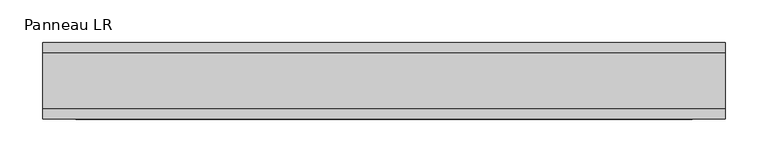
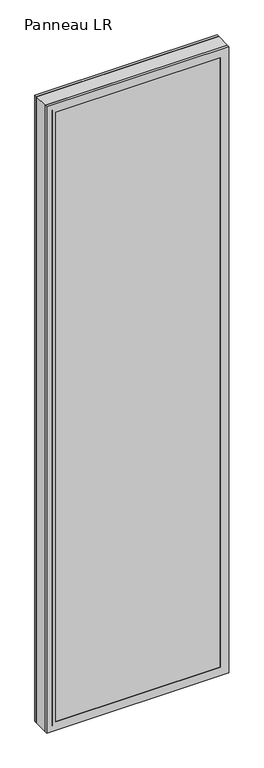
"""IFC4 building model written with IfcOpenShell, lengths in millimetres: plate geometry, Panneau LR."""

from ifc_helpers import new_model, si_unit, frame, origin, place, context, project, spatial, polyline, outline, extrude, faceted_brep, source, transform, mapped, element, save


def panneau_lr_24cbbaed(model_context):
    return source(origin(), model_context, "Body", "SolidModel", [
        faceted_brep([(-400.3847577, 33.0, 2910.0), (-400.3847577, 45.0, 2910.0), (-400.3847577, 45.0, 0.0), (-400.3847577, 33.0, 0.0), (400.3847577, 33.0, 0.0), (400.3847577, 45.0, 0.0), (400.3847577, 45.0, 2910.0), (400.3847577, 33.0, 2910.0), (-361.3847577, 45.0, 2871.0), (-361.3847577, 45.0, 39.0), (361.3847577, 45.0, 39.0), (361.3847577, 45.0, 2871.0), (361.3847577, 43.8, 2871.0), (-361.3847577, 43.8, 2871.0), (-376.3847577, 43.8, 2886.0), (-376.3847577, 43.8, 24.0), (376.3847577, 43.8, 24.0), (376.3847577, 43.8, 2886.0), (361.3847577, 43.8, 39.0), (-361.3847577, 43.8, 39.0), (376.3847577, 33.0, 2886.0), (-376.3847577, 33.0, 2886.0), (376.3847577, 33.0, 24.0), (-376.3847577, 33.0, 24.0)], [[[0, 1, 2, 3]], [[4, 5, 6, 7]], [[6, 1, 0, 7]], [[2, 1, 6, 5], [8, 9, 10, 11]], [[8, 11, 12, 13]], [[14, 15, 16, 17], [13, 12, 18, 19]], [[14, 17, 20, 21]], [[0, 3, 4, 7], [20, 22, 23, 21]], [[23, 22, 16, 15]], [[19, 18, 10, 9]], [[4, 3, 2, 5]], [[21, 23, 15, 14]], [[13, 19, 9, 8]], [[18, 12, 11, 10]], [[22, 20, 17, 16]]]),
        faceted_brep([(-400.3847577, -33.0, 0.0), (-400.3847577, -45.0, 0.0), (-400.3847577, -45.0, 2910.0), (-400.3847577, -33.0, 2910.0), (400.3847577, -45.0, 0.0), (400.3847577, -33.0, 0.0), (400.3847577, -33.0, 2910.0), (400.3847577, -45.0, 2910.0), (361.3847577, -45.0, 2871.0), (361.3847577, -45.0, 39.0), (-361.3847577, -45.0, 39.0), (-361.3847577, -45.0, 2871.0), (-376.3847577, -33.0, 2886.0), (-376.3847577, -33.0, 24.0), (376.3847577, -33.0, 24.0), (376.3847577, -33.0, 2886.0), (376.3847577, -43.8, 2886.0), (-376.3847577, -43.8, 2886.0), (376.3847577, -43.8, 24.0), (-376.3847577, -43.8, 24.0), (-361.3847577, -43.8, 2871.0), (-361.3847577, -43.8, 39.0), (361.3847577, -43.8, 39.0), (361.3847577, -43.8, 2871.0)], [[[0, 1, 2, 3]], [[4, 5, 6, 7]], [[2, 1, 4, 7], [8, 9, 10, 11]], [[6, 3, 2, 7]], [[0, 3, 6, 5], [12, 13, 14, 15]], [[12, 15, 16, 17]], [[17, 16, 18, 19], [20, 21, 22, 23]], [[8, 11, 20, 23]], [[10, 9, 22, 21]], [[19, 18, 14, 13]], [[4, 1, 0, 5]], [[11, 10, 21, 20]], [[17, 19, 13, 12]], [[18, 16, 15, 14]], [[9, 8, 23, 22]]]),
        extrude(outline(polyline([(2910.0, 400.3847577), (2910.0, -400.3847577), (0.0, -400.3847577), (0.0, 400.3847577), (2910.0, 400.3847577)]), holes=[polyline([(46.0, -360.3847577), (2864.0, -360.3847577), (2864.0, 360.3847577), (46.0, 360.3847577), (46.0, -360.3847577)])]), frame((0.0, -33.0, 0.0), z_axis=(0.0, 1.0, 0.0), x_axis=(0.0, 0.0, 1.0)), (0.0, 0.0, 1.0), 66.0),
        extrude(outline(polyline([(376.3847577, 37.8), (-376.3847577, 37.8), (-376.3847577, 43.8), (376.3847577, 43.8), (376.3847577, 37.8)])), frame((0.0, 0.0, 24.0), z_axis=(0.0, 0.0, 1.0), x_axis=(1.0, 0.0, 0.0)), (0.0, 0.0, 1.0), 2862.0),
        extrude(outline(polyline([(-376.3847577, -43.8), (-376.3847577, -37.8), (376.3847577, -37.8), (376.3847577, -43.8), (-376.3847577, -43.8)])), frame((0.0, 0.0, 24.0), z_axis=(0.0, 0.0, 1.0), x_axis=(1.0, 0.0, 0.0)), (0.0, 0.0, 1.0), 2862.0),
    ])


if __name__ == "__main__":
    model = new_model("IFC4")
    model_context = context("Model", 3, world=origin())
    ifc_project = project(units=[si_unit("LENGTHUNIT", "METRE", prefix="MILLI")], contexts=[model_context])
    site = spatial("IfcSite", under=ifc_project)
    building = spatial("IfcBuilding", under=site)
    placement = place(None, origin())
    panneau_lr_shape = panneau_lr_24cbbaed(model_context)
    element("IfcPlate", 1, ObjectType="Panneau LR", at=placement, inside=building, context=model_context, shape_type="MappedRepresentation", body=[
        mapped(panneau_lr_shape, transform((0.0, 0.0, 0.0), x_axis=(1.0, 0.0, 0.0), y_axis=(0.0, 1.0, 0.0), z_axis=(0.0, 0.0, 1.0))),
    ])
    save(model, "model.ifc")
